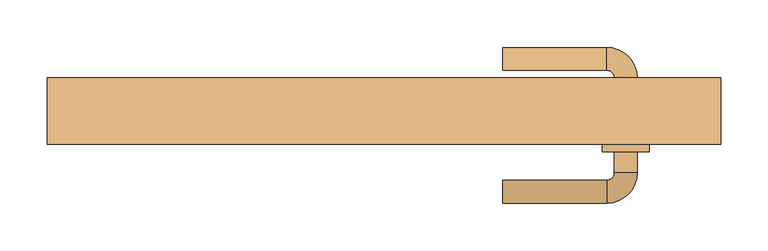
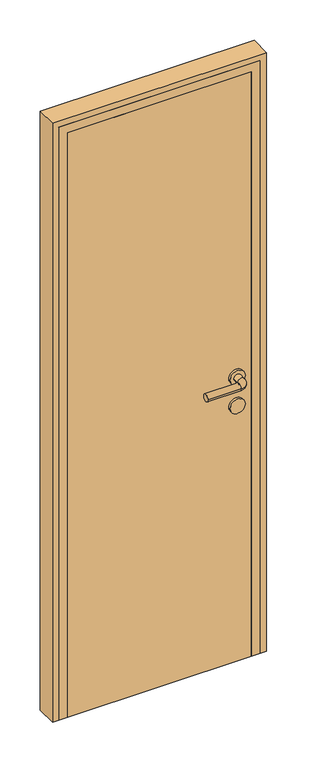
"""IFC4 building model written with IfcOpenShell, lengths in millimetres: door geometry."""

from ifc_helpers import new_model, si_unit, point, frame, frame_2d, origin, origin_with_axes, place, context, project, spatial, polyline, circle_curve, ellipse_curve, trimmed, segment, composite_curve, outline, extrude, faceted_brep, source, transform, mapped, element, save
from ifc_brep_helpers import plane_surface, cylinder_surface, revolved_surface, advanced_brep


def door_13728511(model_context):
    return source(origin(), model_context, "Body", "SolidModel", [
        advanced_brep(
        [(125.0, -87.0, 1000.0), (125.0, -63.0, 1000.0), (235.0, -87.0, 1000.0), (235.0, -63.0, 1000.0), (267.0, -55.0, 1000.0), (243.0, -55.0, 1000.0), (267.0, -33.0, 1000.0), (243.0, -33.0, 1000.0), (267.0, 45.0, 1000.0), (243.0, 45.0, 1000.0), (243.0, 23.0, 1000.0), (267.0, 23.0, 1000.0), (235.0, 77.0, 1000.0), (235.0, 53.0, 1000.0), (125.0, 77.0, 1000.0), (125.0, 53.0, 1000.0), (230.0, 23.0, 1000.0), (280.0, 23.0, 1000.0), (230.0, -33.0, 1000.0), (280.0, -33.0, 1000.0)],
        [
            (0, 1, circle_curve(frame((125.0, -75.0, 1000.0), z_axis=(-1.0, 0.0, 0.0), x_axis=(0.0, 1.0, 0.0)), 12.0)),
            (1, 0, circle_curve(frame((125.0, -75.0, 1000.0), z_axis=(-1.0, 0.0, 0.0), x_axis=(0.0, 1.0, 0.0)), 12.0)),
            (0, 2),
            (2, 3, circle_curve(frame((235.0, -75.0, 1000.0), z_axis=(-1.0, 0.0, 0.0), x_axis=(0.0, 1.0, 0.0)), 12.0)),
            (3, 1),
            (3, 2, circle_curve(frame((235.0, -75.0, 1000.0), z_axis=(-1.0, 0.0, 0.0), x_axis=(0.0, 1.0, 0.0)), 12.0)),
            (2, 4, circle_curve(frame((235.0, -55.0, 1000.0), z_axis=(0.0, 0.0, 1.0), x_axis=(0.0, -1.0, 0.0)), 32.0)),
            (4, 5, circle_curve(frame((255.0, -55.0, 1000.0), z_axis=(0.0, -1.0, 0.0), x_axis=(-1.0, 0.0, 0.0)), 12.0)),
            (5, 3, circle_curve(frame((235.0, -55.0, 1000.0), z_axis=(0.0, 0.0, -1.0), x_axis=(0.0, -1.0, 0.0)), 8.0)),
            (5, 4, circle_curve(frame((255.0, -55.0, 1000.0), z_axis=(0.0, -1.0, 0.0), x_axis=(-1.0, 0.0, 0.0)), 12.0)),
            (4, 6),
            (6, 7, circle_curve(frame((255.0, -33.0, 1000.0), z_axis=(0.0, -1.0, 0.0), x_axis=(-1.0, 0.0, 0.0)), 12.0)),
            (7, 5),
            (8, 9, circle_curve(frame((255.0, 45.0, 1000.0), z_axis=(0.0, -1.0, 0.0), x_axis=(-1.0, 0.0, 0.0)), 12.0)),
            (9, 10),
            (10, 11, circle_curve(frame((255.0, 23.0, 1000.0), z_axis=(0.0, 1.0, 0.0), x_axis=(-1.0, 0.0, 0.0)), 12.0)),
            (11, 8),
            (7, 6, circle_curve(frame((255.0, -33.0, 1000.0), z_axis=(0.0, -1.0, 0.0), x_axis=(-1.0, 0.0, 0.0)), 12.0)),
            (9, 8, circle_curve(frame((255.0, 45.0, 1000.0), z_axis=(0.0, -1.0, 0.0), x_axis=(-1.0, 0.0, 0.0)), 12.0)),
            (11, 10, circle_curve(frame((255.0, 23.0, 1000.0), z_axis=(0.0, 1.0, 0.0), x_axis=(-1.0, 0.0, 0.0)), 12.0)),
            (8, 12, circle_curve(frame((235.0, 45.0, 1000.0), z_axis=(0.0, 0.0, 1.0), x_axis=(1.0, 0.0, 0.0)), 32.0)),
            (12, 13, circle_curve(frame((235.0, 65.0, 1000.0), z_axis=(1.0, 0.0, 0.0), x_axis=(0.0, -1.0, 0.0)), 12.0)),
            (13, 9, circle_curve(frame((235.0, 45.0, 1000.0), z_axis=(0.0, 0.0, -1.0), x_axis=(1.0, 0.0, 0.0)), 8.0)),
            (13, 12, circle_curve(frame((235.0, 65.0, 1000.0), z_axis=(1.0, 0.0, 0.0), x_axis=(0.0, -1.0, 0.0)), 12.0)),
            (14, 15, circle_curve(frame((125.0, 65.0, 1000.0), z_axis=(-1.0, 0.0, 0.0), x_axis=(0.0, -1.0, 0.0)), 12.0)),
            (15, 14, circle_curve(frame((125.0, 65.0, 1000.0), z_axis=(-1.0, 0.0, 0.0), x_axis=(0.0, -1.0, 0.0)), 12.0)),
            (12, 14),
            (15, 13),
            (16, 17, circle_curve(frame((255.0, 23.0, 1000.0), z_axis=(0.0, 1.0, 0.0), x_axis=(1.0, 0.0, 0.0)), 25.0)),
            (17, 16, circle_curve(frame((255.0, 23.0, 1000.0), z_axis=(0.0, 1.0, 0.0), x_axis=(1.0, 0.0, 0.0)), 25.0)),
            (18, 19, circle_curve(frame((255.0, -33.0, 1000.0), z_axis=(0.0, -1.0, 0.0), x_axis=(1.0, 0.0, 0.0)), 25.0)),
            (19, 18, circle_curve(frame((255.0, -33.0, 1000.0), z_axis=(0.0, -1.0, 0.0), x_axis=(1.0, 0.0, 0.0)), 25.0)),
            (16, 18),
            (19, 17),
        ],
        [
            plane_surface(frame((125.0, -75.0, 1000.0), z_axis=(-1.0, 0.0, 0.0), x_axis=(0.0, 0.0, 1.0))),
            cylinder_surface(frame((125.0, -75.0, 1000.0), z_axis=(-1.0, 0.0, 0.0), x_axis=(0.0, 1.0, 0.0)), 12.0),
            revolved_surface(trimmed(ellipse_curve(frame((235.0, -75.0, 1000.0), z_axis=(-1.0, 0.0, 0.0), x_axis=(0.0, 1.0, 0.0)), 12.0, 12.0), [point((235.0, -87.0, 1000.0))], [point((235.0, -63.0, 1000.0))], True, "CARTESIAN"), (235.0, -55.0, 1000.0), (0.0, 0.0, 1.0)),
            revolved_surface(trimmed(ellipse_curve(frame((235.0, -75.0, 1000.0), z_axis=(-1.0, 0.0, 0.0), x_axis=(0.0, 1.0, 0.0)), 12.0, 12.0), [point((235.0, -63.0, 1000.0))], [point((235.0, -87.0, 1000.0))], True, "CARTESIAN"), (235.0, -55.0, 1000.0), (0.0, 0.0, 1.0)),
            cylinder_surface(frame((255.0, -55.0, 1000.0), z_axis=(0.0, -1.0, 0.0), x_axis=(-1.0, 0.0, 0.0)), 12.0),
            revolved_surface(trimmed(ellipse_curve(frame((255.0, 45.0, 1000.0), z_axis=(0.0, -1.0, 0.0), x_axis=(-1.0, 0.0, 0.0)), 12.0, 12.0), [point((267.0, 45.0, 1000.0))], [point((243.0, 45.0, 1000.0))], True, "CARTESIAN"), (235.0, 45.0, 1000.0), (0.0, 0.0, 1.0)),
            revolved_surface(trimmed(ellipse_curve(frame((255.0, 45.0, 1000.0), z_axis=(0.0, -1.0, 0.0), x_axis=(-1.0, 0.0, 0.0)), 12.0, 12.0), [point((243.0, 45.0, 1000.0))], [point((267.0, 45.0, 1000.0))], True, "CARTESIAN"), (235.0, 45.0, 1000.0), (0.0, 0.0, 1.0)),
            plane_surface(frame((125.0, 65.0, 1000.0), z_axis=(-1.0, 0.0, 0.0), x_axis=(0.0, 0.0, 1.0))),
            cylinder_surface(frame((235.0, 65.0, 1000.0), z_axis=(1.0, 0.0, 0.0), x_axis=(0.0, -1.0, 0.0)), 12.0),
            plane_surface(frame((280.0, 23.0, 1000.0), z_axis=(0.0, 1.0, 0.0), x_axis=(0.0, 0.0, -1.0))),
            plane_surface(frame((280.0, -33.0, 1000.0), z_axis=(0.0, -1.0, 0.0), x_axis=(0.0, 0.0, 1.0))),
            cylinder_surface(frame((255.0, 23.0, 1000.0), z_axis=(0.0, -1.0, 0.0), x_axis=(1.0, 0.0, 0.0)), 25.0),
        ],
        [
            (0, [[1, 2]]),
            (1, [[-1, 3, 4, 5]]),
            (1, [[-2, -5, 6, -3]]),
            (2, [[-4, 7, 8, 9]]),
            (3, [[-6, -9, 10, -7]]),
            (4, [[-8, 11, 12, 13]]),
            (4, [[14, 15, 16, 17]]),
            (4, [[-10, -13, 18, -11]]),
            (4, [[19, -17, 20, -15]]),
            (5, [[-14, 21, 22, 23]]),
            (6, [[-19, -23, 24, -21]]),
            (7, [[25, 26]]),
            (8, [[-22, 27, -26, 28]]),
            (8, [[-24, -28, -25, -27]]),
            (9, [[29, 30], [-16, -20]]),
            (10, [[31, 32], [-12, -18]]),
            (11, [[-29, 33, -32, 34]]),
            (11, [[-30, -34, -31, -33]]),
        ],
    ),
        extrude(outline(composite_curve([segment(trimmed(circle_curve(frame_2d((900.0, 255.0)), 25.0), [point((900.0, 230.0))], [point((900.0, 280.0))], False, "CARTESIAN"), True, "CONTINUOUS"), segment(trimmed(circle_curve(frame_2d((900.0, 255.0)), 25.0), [point((900.0, 280.0))], [point((900.0, 230.0))], False, "CARTESIAN"), True, "CONTINUOUS")], self_intersect=False)), frame((0.0, -33.0, 0.0), z_axis=(0.0, 1.0, 0.0), x_axis=(0.0, 0.0, 1.0)), (0.0, 0.0, 1.0), 56.0),
        extrude(outline(polyline([(305.0, 15.0), (305.0, -25.0), (-305.0, -25.0), (-305.0, 15.0), (305.0, 15.0)])), origin_with_axes(), (0.0, 0.0, 1.0), 2050.0),
        extrude(outline(polyline([(0.0, 355.0), (2100.0, 355.0), (2100.0, -355.0), (0.0, -355.0), (0.0, -335.0), (2080.0, -335.0), (2080.0, 335.0), (0.0, 335.0), (0.0, 355.0)])), frame((0.0, -25.0, 0.0), z_axis=(0.0, 1.0, 0.0), x_axis=(0.0, 0.0, 1.0)), (0.0, 0.0, 1.0), 70.0),
        faceted_brep([(-335.0, 45.0, 0.0), (-295.0, 45.0, 0.0), (-295.0, 15.0, 0.0), (-305.0, 15.0, 0.0), (-305.0, -25.0, 0.0), (-335.0, -25.0, 0.0), (-335.0, -25.0, 2080.0), (-335.0, 45.0, 2080.0), (-305.0, -25.0, 2050.0), (305.0, -25.0, 2050.0), (305.0, -25.0, 0.0), (335.0, -25.0, 0.0), (335.0, -25.0, 2080.0), (-305.0, 15.0, 2050.0), (-295.0, 15.0, 2040.0), (295.0, 15.0, 2040.0), (295.0, 15.0, 0.0), (305.0, 15.0, 0.0), (305.0, 15.0, 2050.0), (-295.0, 45.0, 2040.0), (335.0, 45.0, 2080.0), (335.0, 45.0, 0.0), (295.0, 45.0, 0.0), (295.0, 45.0, 2040.0)], [[[0, 1, 2, 3, 4, 5]], [[5, 6, 7, 0]], [[4, 8, 9, 10, 11, 12, 6, 5]], [[3, 13, 8, 4]], [[2, 14, 15, 16, 17, 18, 13, 3]], [[1, 19, 14, 2]], [[0, 7, 20, 21, 22, 23, 19, 1]], [[6, 12, 20, 7]], [[13, 18, 9, 8]], [[19, 23, 15, 14]], [[21, 11, 10, 17, 16, 22]], [[12, 11, 21, 20]], [[18, 17, 10, 9]], [[23, 22, 16, 15]]]),
    ])


if __name__ == "__main__":
    model = new_model("IFC4")
    model_context = context("Model", 3, world=origin())
    ifc_project = project(units=[si_unit("LENGTHUNIT", "METRE", prefix="MILLI")], contexts=[model_context])
    site = spatial("IfcSite", under=ifc_project)
    building = spatial("IfcBuilding", under=site)
    placement = place(None, origin())
    door_shape = door_13728511(model_context)
    element("IfcDoor", 1, at=placement, inside=building, context=model_context, shape_type="MappedRepresentation", body=[
        mapped(door_shape, transform((0.0, 0.0, 0.0), x_axis=(1.0, 0.0, 0.0), y_axis=(0.0, 1.0, 0.0), z_axis=(0.0, 0.0, 1.0))),
    ])
    save(model, "model.ifc")
